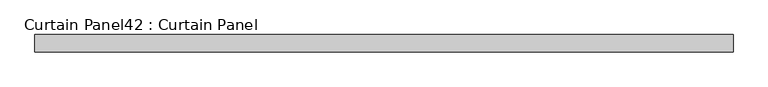
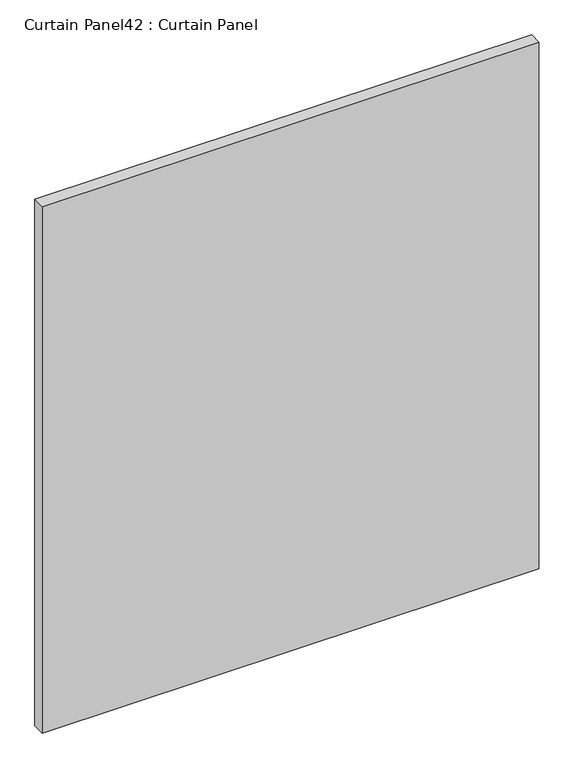
"""IFC4 building model written with IfcOpenShell, lengths in millimetres: plate geometry, Curtain Panel42 : Curtain Panel."""

from ifc_helpers import new_model, si_unit, frame, origin, place, context, project, spatial, polyline, outline, extrude, source, transform, mapped, element, save


def curtain_panel42_curtain_panel_2fd14810(model_context):
    return source(origin(), model_context, "Body", "SweptSolid", [
        extrude(outline(polyline([(-37145.4159538, -1283.4463534), (-38164.3876572, -1283.4463534), (-38164.3876572, -1258.0463534), (-37145.4159538, -1258.0463534), (-37145.4159538, -1283.4463534)])), frame((0.0, 0.0, 2447.925), z_axis=(0.0, 0.0, 1.0), x_axis=(1.0, 0.0, 0.0)), (0.0, 0.0, 1.0), 1141.8462759),
    ])


if __name__ == "__main__":
    model = new_model("IFC4")
    model_context = context("Model", 3, world=origin())
    ifc_project = project(units=[si_unit("LENGTHUNIT", "METRE", prefix="MILLI")], contexts=[model_context])
    site = spatial("IfcSite", under=ifc_project)
    building = spatial("IfcBuilding", under=site)
    placement = place(None, origin())
    curtain_panel42_curtain_panel_shape = curtain_panel42_curtain_panel_2fd14810(model_context)
    element("IfcPlate", 1, ObjectType="Curtain Panel42 : Curtain Panel", at=placement, inside=building, context=model_context, shape_type="MappedRepresentation", body=[
        mapped(curtain_panel42_curtain_panel_shape, transform((0.0, 0.0, 0.0), x_axis=(1.0, 0.0, 0.0), y_axis=(0.0, 1.0, 0.0), z_axis=(0.0, 0.0, 1.0))),
    ])
    save(model, "model.ifc")
